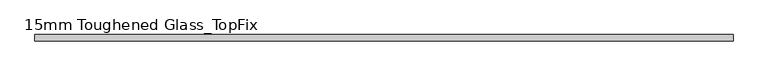
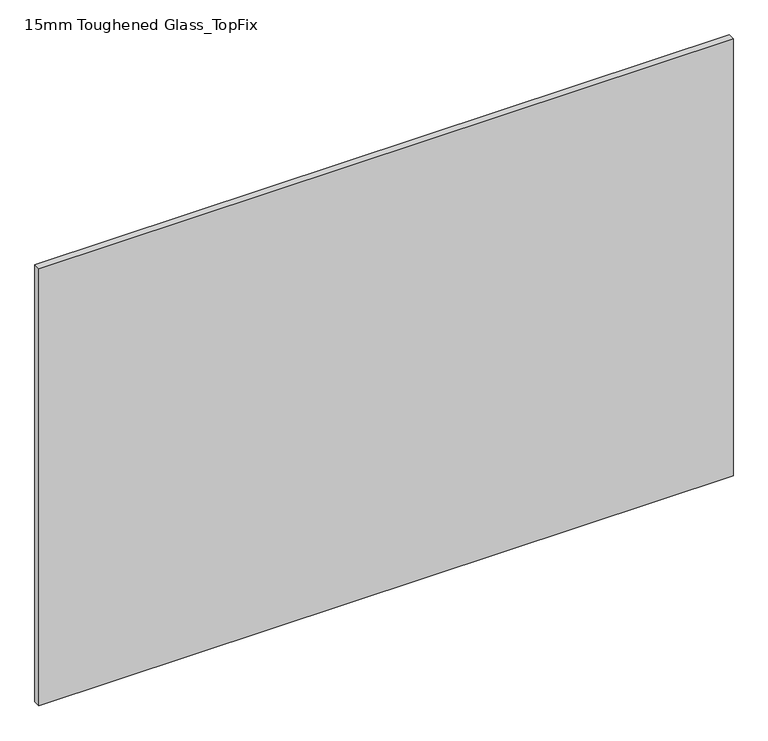
"""IFC4 building model written with IfcOpenShell, lengths in millimetres: plate geometry, 15mm Toughened Glass_TopFix."""

from ifc_helpers import new_model, si_unit, origin, origin_with_axes, place, context, project, spatial, polyline, outline, extrude, source, transform, mapped, element, save


def plate_15mm_toughened_glass_topfix_3e83f61b(model_context):
    return source(origin(), model_context, "Body", "SweptSolid", [
        extrude(outline(polyline([(795.0000001, 7.5), (795.0000001, -7.5), (-795.0000001, -7.5), (-795.0000001, 7.5), (795.0000001, 7.5)])), origin_with_axes(), (0.0, 0.0, 1.0), 1058.0),
    ])


if __name__ == "__main__":
    model = new_model("IFC4")
    model_context = context("Model", 3, world=origin())
    ifc_project = project(units=[si_unit("LENGTHUNIT", "METRE", prefix="MILLI")], contexts=[model_context])
    site = spatial("IfcSite", under=ifc_project)
    building = spatial("IfcBuilding", under=site)
    placement = place(None, origin())
    plate_15mm_toughened_glass_topfix_shape = plate_15mm_toughened_glass_topfix_3e83f61b(model_context)
    element("IfcPlate", 1, ObjectType="15mm Toughened Glass_TopFix", at=placement, inside=building, context=model_context, shape_type="MappedRepresentation", body=[
        mapped(plate_15mm_toughened_glass_topfix_shape, transform((0.0, 0.0, 0.0), x_axis=(1.0, 0.0, 0.0), y_axis=(0.0, 1.0, 0.0), z_axis=(0.0, 0.0, 1.0))),
    ])
    save(model, "model.ifc")
